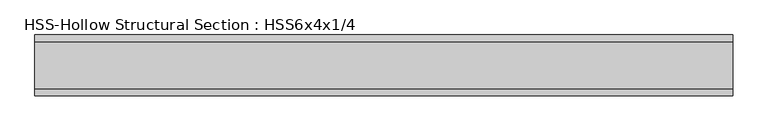
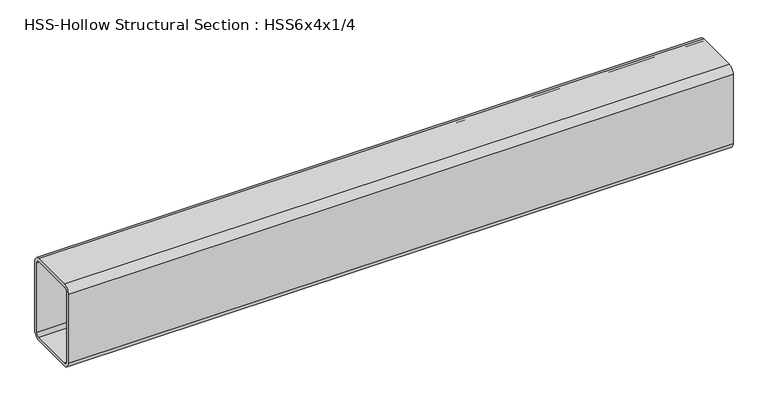
"""IFC4 building model written with IfcOpenShell, lengths in millimetres: beam geometry, HSS-Hollow Structural Section : HSS6x4x1/4."""

from ifc_helpers import new_model, si_unit, point, frame, frame_2d, origin, place, context, project, spatial, polyline, circle_curve, trimmed, segment, composite_curve, outline, extrude, source, transform, mapped, element, save


def hss_hollow_structural_section_hss6x4x1_4_1f00d1b6(model_context):
    return source(origin(), model_context, "Body", "SweptSolid", [
        extrude(outline(composite_curve([segment(polyline([(50.8, 64.3636), (50.8, -64.3636)]), True, "CONTINUOUS"), segment(trimmed(circle_curve(frame_2d((38.9636, -64.3636)), 11.8364), [point((50.8, -64.3636))], [point((38.9636, -76.2))], False, "CARTESIAN"), True, "CONTINUOUS"), segment(polyline([(38.9636, -76.2), (-38.9636, -76.2)]), True, "CONTINUOUS"), segment(trimmed(circle_curve(frame_2d((-38.9636, -64.3636)), 11.8364), [point((-38.9636, -76.2))], [point((-50.8, -64.3636))], False, "CARTESIAN"), True, "CONTINUOUS"), segment(polyline([(-50.8, -64.3636), (-50.8, 64.3636)]), True, "CONTINUOUS"), segment(trimmed(circle_curve(frame_2d((-38.9636, 64.3636)), 11.8364), [point((-50.8, 64.3636))], [point((-38.9636, 76.2))], False, "CARTESIAN"), True, "CONTINUOUS"), segment(polyline([(-38.9636, 76.2), (38.9636, 76.2)]), True, "CONTINUOUS"), segment(trimmed(circle_curve(frame_2d((38.9636, 64.3636)), 11.8364), [point((38.9636, 76.2))], [point((50.8, 64.3636))], False, "CARTESIAN"), True, "CONTINUOUS")], self_intersect=False), holes=[composite_curve([segment(trimmed(circle_curve(frame_2d((-38.9636, 64.3636)), 5.9182), [point((-38.9636, 70.2818))], [point((-44.8818, 64.3636))], True, "CARTESIAN"), True, "CONTINUOUS"), segment(polyline([(-44.8818, 64.3636), (-44.8818, -64.3636)]), True, "CONTINUOUS"), segment(trimmed(circle_curve(frame_2d((-38.9636, -64.3636)), 5.9182), [point((-44.8818, -64.3636))], [point((-38.9636, -70.2818))], True, "CARTESIAN"), True, "CONTINUOUS"), segment(polyline([(-38.9636, -70.2818), (38.9636, -70.2818)]), True, "CONTINUOUS"), segment(trimmed(circle_curve(frame_2d((38.9636, -64.3636)), 5.9182), [point((38.9636, -70.2818))], [point((44.8818, -64.3636))], True, "CARTESIAN"), True, "CONTINUOUS"), segment(polyline([(44.8818, -64.3636), (44.8818, 64.3636)]), True, "CONTINUOUS"), segment(trimmed(circle_curve(frame_2d((38.9636, 64.3636)), 5.9182), [point((44.8818, 64.3636))], [point((38.9636, 70.2818))], True, "CARTESIAN"), True, "CONTINUOUS"), segment(polyline([(38.9636, 70.2818), (-38.9636, 70.2818)]), True, "CONTINUOUS")], self_intersect=False)]), frame((-584.2, 0.0, 0.0), z_axis=(1.0, 0.0, 0.0), x_axis=(0.0, 1.0, 0.0)), (0.0, 0.0, 1.0), 1168.4),
    ])


if __name__ == "__main__":
    model = new_model("IFC4")
    model_context = context("Model", 3, world=origin())
    ifc_project = project(units=[si_unit("LENGTHUNIT", "METRE", prefix="MILLI")], contexts=[model_context])
    site = spatial("IfcSite", under=ifc_project)
    building = spatial("IfcBuilding", under=site)
    placement = place(None, origin())
    hss_hollow_structural_section_hss6x4x1_4_shape = hss_hollow_structural_section_hss6x4x1_4_1f00d1b6(model_context)
    element("IfcBeam", 1, ObjectType="HSS-Hollow Structural Section : HSS6x4x1/4", at=placement, inside=building, context=model_context, shape_type="MappedRepresentation", body=[
        mapped(hss_hollow_structural_section_hss6x4x1_4_shape, transform((0.0, 0.0, 0.0), x_axis=(1.0, 0.0, 0.0), y_axis=(0.0, 1.0, 0.0), z_axis=(0.0, 0.0, 1.0))),
    ])
    save(model, "model.ifc")
